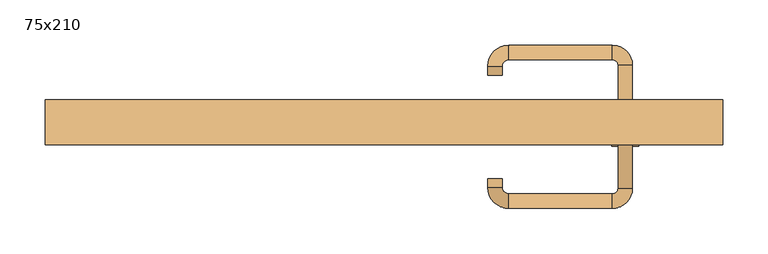
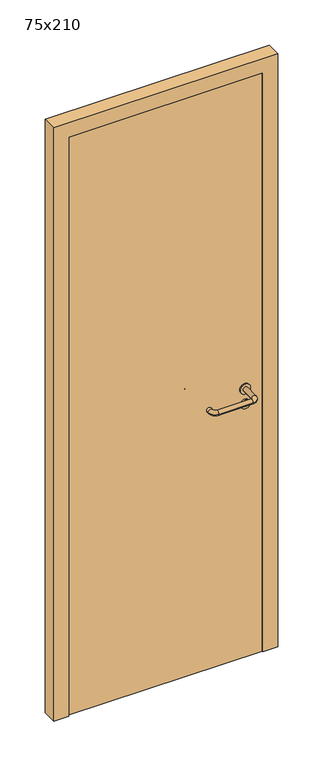
"""IFC4 building model written with IfcOpenShell, lengths in millimetres: door geometry, 75x210."""

import ifcopenshell
import ifcopenshell.guid

model = None  # the IFC model being written
_history = None  # IfcOwnerHistory: only IFC2X3 demands one
_inside = {}  # id of a spatial element -> (the spatial element, [elements in it])
_under = {}  # id of a project, library or spatial element -> (it, [spatial elements below it])
_declared = {}  # id of a project -> (the project, [libraries it declares])
_typed = {}  # id of a type object -> (the type object, [elements of that type])
_made_of = {}  # id of a material, layer set ... -> (it, [elements and type objects made of it])


def new_model(schema):
    """Start an empty IFC model of exactly this schema.

    Asked for "IFC4X3", IfcOpenShell would pick the latest addendum, in which some entities
    have other attributes; the version numbers below select the first issue.
    IFC2X3 requires an IfcOwnerHistory on every rooted entity: one is made here for all.
    """
    global model, _history
    if schema == "IFC4X3":
        model = ifcopenshell.file(schema_version=(4, 3, 0, 0))
    else:
        model = ifcopenshell.file(schema=schema)
    _inside.clear()
    _under.clear()
    _declared.clear()
    _typed.clear()
    _made_of.clear()
    _history = None
    if model.schema == "IFC2X3":
        org = make("IfcOrganization", Name="unknown")
        user = make(
            "IfcPersonAndOrganization",
            ThePerson=make("IfcPerson", FamilyName="unknown"),
            TheOrganization=org,
        )
        app = make(
            "IfcApplication",
            ApplicationDeveloper=org,
            Version="unknown",
            ApplicationFullName="unknown",
            ApplicationIdentifier="unknown",
        )
        _history = make(
            "IfcOwnerHistory",
            OwningUser=user,
            OwningApplication=app,
            ChangeAction="ADDED",
            CreationDate=0,
        )
    return model


def make(cls, **values):
    """One entity of the class cls with the attributes given. An attribute that is None is left unset."""
    return model.create_entity(
        cls, **{name: value for name, value in values.items() if value is not None}
    )


def rooted(cls, **values):
    """An entity with a GlobalId (a new one), such as an element, a storey or a relation."""
    return make(cls, GlobalId=ifcopenshell.guid.new(), OwnerHistory=_history, **values)


def si_unit(unit_type, name, prefix=None):
    """IfcSIUnit, for example si_unit("LENGTHUNIT", "METRE", prefix="MILLI")."""
    return make("IfcSIUnit", UnitType=unit_type, Prefix=prefix, Name=name)


def assignment(units):
    """IfcUnitAssignment: the units of a project."""
    return None if units is None else make("IfcUnitAssignment", Units=units)


def point(xyz):
    """IfcCartesianPoint."""
    return None if xyz is None else make("IfcCartesianPoint", Coordinates=xyz)


def direction(xyz):
    """IfcDirection."""
    return None if xyz is None else make("IfcDirection", DirectionRatios=xyz)


def frame(location, z_axis=None, x_axis=None):
    """IfcAxis2Placement3D, a coordinate frame: its origin and axes. An axis left out is left unset."""
    return make(
        "IfcAxis2Placement3D",
        Location=point(location),
        Axis=direction(z_axis),
        RefDirection=direction(x_axis),
    )


def frame_2d(location, x_axis=None):
    """IfcAxis2Placement2D, a coordinate frame in the plane: its origin and x axis."""
    return make(
        "IfcAxis2Placement2D", Location=point(location), RefDirection=direction(x_axis)
    )


def origin():
    """The frame at (0, 0, 0) with its axes left unset."""
    return frame((0.0, 0.0, 0.0))


def origin_with_axes():
    """The frame at (0, 0, 0) with the z axis (0, 0, 1) and the x axis (1, 0, 0) written out."""
    return frame((0.0, 0.0, 0.0), z_axis=(0.0, 0.0, 1.0), x_axis=(1.0, 0.0, 0.0))


def place(relative_to, where):
    """IfcLocalPlacement: puts the frame where relative to a parent placement (None: the world)."""
    return make(
        "IfcLocalPlacement", PlacementRelTo=relative_to, RelativePlacement=where
    )


def context(
    kind, dimensions, precision=None, world=None, true_north=None, identifier=None
):
    """IfcGeometricRepresentationContext, for example the 3D "Model" context."""
    return make(
        "IfcGeometricRepresentationContext",
        ContextIdentifier=identifier,
        ContextType=kind,
        CoordinateSpaceDimension=dimensions,
        Precision=precision,
        WorldCoordinateSystem=world,
        TrueNorth=true_north,
    )


def project(units=None, contexts=None):
    """IfcProject with its units and contexts."""
    return rooted(
        "IfcProject",
        Name="project",
        RepresentationContexts=contexts,
        UnitsInContext=assignment(units),
    )


def spatial(cls, under=None, at=None, **own):
    """A site, building, storey or space (cls), placed at a placement, below another one or the project."""
    s = rooted(cls, ObjectPlacement=at, **own)
    if under is not None:
        _under.setdefault(under.id(), (under, []))[1].append(s)
    return s


def polyline(points):
    """IfcPolyline through the points."""
    return make("IfcPolyline", Points=[point(p) for p in points])


def circle_curve(where, radius):
    """IfcCircle in the frame where."""
    return make("IfcCircle", Position=where, Radius=radius)


def ellipse_curve(where, semi_axis1, semi_axis2):
    """IfcEllipse in the frame where."""
    return make(
        "IfcEllipse", Position=where, SemiAxis1=semi_axis1, SemiAxis2=semi_axis2
    )


def trimmed(basis, trim1, trim2, sense, master):
    """IfcTrimmedCurve: the piece of a basis curve between two trims."""
    return make(
        "IfcTrimmedCurve",
        BasisCurve=basis,
        Trim1=trim1,
        Trim2=trim2,
        SenseAgreement=sense,
        MasterRepresentation=master,
    )


def segment(curve, same_sense, transition):
    """IfcCompositeCurveSegment."""
    return make(
        "IfcCompositeCurveSegment",
        Transition=transition,
        SameSense=same_sense,
        ParentCurve=curve,
    )


def composite_curve(segments, self_intersect=None):
    """IfcCompositeCurve: segments joined end to end."""
    return make("IfcCompositeCurve", Segments=segments, SelfIntersect=self_intersect)


def outline(outer, holes=None, kind="AREA"):
    """IfcArbitraryClosedProfileDef: a profile drawn as a closed curve; with holes, ...WithVoids."""
    if holes is None:
        return make("IfcArbitraryClosedProfileDef", ProfileType=kind, OuterCurve=outer)
    return make(
        "IfcArbitraryProfileDefWithVoids",
        ProfileType=kind,
        OuterCurve=outer,
        InnerCurves=holes,
    )


def extrude(swept, where, along, depth):
    """IfcExtrudedAreaSolid: the profile swept, set in the frame where, extruded along a direction by depth."""
    return make(
        "IfcExtrudedAreaSolid",
        SweptArea=swept,
        Position=where,
        ExtrudedDirection=direction(along),
        Depth=depth,
    )


def shape(context_of_items, identifier, shape_type, items):
    """IfcShapeRepresentation: the items that make up one representation, for example the "Body"."""
    return make(
        "IfcShapeRepresentation",
        ContextOfItems=context_of_items,
        RepresentationIdentifier=identifier,
        RepresentationType=shape_type,
        Items=items,
    )


def source(mapping_origin, context_of_items, identifier, shape_type, items):
    """IfcRepresentationMap: a shape defined once, which mapped items show again and again."""
    return make(
        "IfcRepresentationMap",
        MappingOrigin=mapping_origin,
        MappedRepresentation=shape(context_of_items, identifier, shape_type, items),
    )


def transform(
    local_origin,
    x_axis=None,
    y_axis=None,
    z_axis=None,
    scale=None,
    scale2=None,
    scale3=None,
    uniform=True,
):
    """IfcCartesianTransformationOperator3D, or its non-uniform kind. x_axis, y_axis, z_axis: its Axis1, 2, 3."""
    if uniform:
        return make(
            "IfcCartesianTransformationOperator3D",
            Axis1=direction(x_axis),
            Axis2=direction(y_axis),
            LocalOrigin=point(local_origin),
            Scale=scale,
            Axis3=direction(z_axis),
        )
    return make(
        "IfcCartesianTransformationOperator3DnonUniform",
        Axis1=direction(x_axis),
        Axis2=direction(y_axis),
        LocalOrigin=point(local_origin),
        Scale=scale,
        Axis3=direction(z_axis),
        Scale2=scale2,
        Scale3=scale3,
    )


def mapped(mapping_source, mapping_target):
    """IfcMappedItem: shows the shape of a source again, moved by a transform."""
    return make(
        "IfcMappedItem", MappingSource=mapping_source, MappingTarget=mapping_target
    )


def made_of(thing, what):
    """Note that an element or type object is made of a material, layer set ...; save() writes the relation."""
    if what is not None:
        _made_of.setdefault(what.id(), (what, []))[1].append(thing)
    return thing


def element(
    cls,
    number,
    at=None,
    inside=None,
    cuts=None,
    type_object=None,
    material=None,
    context=None,
    identifier="Body",
    shape_type=None,
    held_by="IfcProductDefinitionShape",
    body=None,
    shapes=None,
    **own,
):
    """One element of the class cls, such as IfcWall. Its Tag is "e" and its number.

    at: its placement. inside: the storey or other place that contains it. cuts: it is an
    opening in that element (IfcRelVoidsElement). A single representation is given by context,
    identifier, shape_type and body (its items); several are given by shapes. held_by: the class
    of the entity that holds the representations. save() writes the other relations.
    """
    e = rooted(cls, Tag="e%d" % number, ObjectPlacement=at, **own)
    if body is not None:
        shapes = [shape(context, identifier, shape_type, body)]
    if shapes is not None:
        e.Representation = make(held_by, Representations=shapes)
    if inside is not None:
        _inside.setdefault(inside.id(), (inside, []))[1].append(e)
    if cuts is not None:
        rooted(
            "IfcRelVoidsElement", RelatingBuildingElement=cuts, RelatedOpeningElement=e
        )
    if type_object is not None:
        _typed.setdefault(type_object.id(), (type_object, []))[1].append(e)
    return made_of(e, material)


def aggregate(whole, parts):
    """IfcRelAggregates: a whole, such as a stair, and the parts it consists of."""
    return rooted("IfcRelAggregates", RelatingObject=whole, RelatedObjects=parts)


def save(model, path):
    """Write the relations noted so far, then the file.

    IfcRelAggregates (storeys below a building ...), IfcRelContainedInSpatialStructure (elements
    in a storey), IfcRelDefinesByType, IfcRelAssociatesMaterial and IfcRelDeclares: one each for
    every whole, place, type object, material and project.
    """
    for whole, parts in _under.values():
        aggregate(whole, parts)
    for where, things in _inside.values():
        rooted(
            "IfcRelContainedInSpatialStructure",
            RelatedElements=things,
            RelatingStructure=where,
        )
    for kind, things in _typed.values():
        rooted("IfcRelDefinesByType", RelatedObjects=things, RelatingType=kind)
    for what, things in _made_of.values():
        rooted("IfcRelAssociatesMaterial", RelatedObjects=things, RelatingMaterial=what)
    for by, libraries in _declared.values():
        rooted("IfcRelDeclares", RelatingContext=by, RelatedDefinitions=libraries)
    model.write(path)


def plane_surface(at):
    """IfcPlane: the flat surface through the origin of the frame at, square to its z axis."""
    return make("IfcPlane", Position=at)


def cylinder_surface(at, radius):
    """IfcCylindricalSurface: all points at the distance radius from the z axis of the frame at."""
    return make("IfcCylindricalSurface", Position=at, Radius=radius)


def revolved_surface(curve, axis_point, axis_direction):
    """IfcSurfaceOfRevolution: the curve turned about the line through axis_point along axis_direction."""
    return make(
        "IfcSurfaceOfRevolution",
        SweptCurve=make("IfcArbitraryOpenProfileDef", ProfileType="CURVE", Curve=curve),
        AxisPosition=make("IfcAxis1Placement", Location=point(axis_point), Axis=direction(axis_direction)),
    )


def advanced_brep(points, edges, surfaces, faces):
    """IfcAdvancedBrep: a solid bounded by faces that lie on surfaces and meet in shared edges.

    An edge is (start, end): straight between two places in points (the first is 0);
    or (start, end, curve); or (start, end, curve, False) where it runs against its curve.
    A face is (place in surfaces, loops), or (place, loops, False) where it looks against
    its surface's normal. A loop lists edges by number (the first is 1), with a minus sign
    where the edge is run from its end to its start. The first loop is the outer one.
    """
    corners = [point(p) for p in points]
    vertices = [make("IfcVertexPoint", VertexGeometry=c) for c in corners]
    made = []
    for start, end, *more in edges:
        made.append(
            make(
                "IfcEdgeCurve",
                EdgeStart=vertices[start],
                EdgeEnd=vertices[end],
                EdgeGeometry=more[0] if more else make("IfcPolyline", Points=[corners[start], corners[end]]),
                SameSense=more[1] if len(more) > 1 else True,
            )
        )
    hull = []
    for where, loops, *sense in faces:
        bounds = []
        for j, loop in enumerate(loops):
            ring = [make("IfcOrientedEdge", EdgeElement=made[abs(k) - 1], Orientation=k > 0) for k in loop]
            bounds.append(
                make(
                    "IfcFaceOuterBound" if j == 0 else "IfcFaceBound",
                    Bound=make("IfcEdgeLoop", EdgeList=ring),
                    Orientation=True,
                )
            )
        hull.append(make("IfcAdvancedFace", Bounds=bounds, FaceSurface=surfaces[where], SameSense=sense[0] if sense else True))
    return make("IfcAdvancedBrep", Outer=make("IfcClosedShell", CfsFaces=hull))


def door_75x210_8c252fab(model_context):
    return source(origin(), model_context, "Body", "SolidModel", [
        extrude(outline(composite_curve([segment(trimmed(circle_curve(frame_2d((897.3605726, 267.0)), 15.0), [point((897.3605726, 282.0))], [point((897.3605726, 252.0))], False, "CARTESIAN"), True, "CONTINUOUS"), segment(trimmed(circle_curve(frame_2d((897.3605726, 267.0)), 15.0), [point((897.3605726, 252.0))], [point((897.3605726, 282.0))], False, "CARTESIAN"), True, "CONTINUOUS")], self_intersect=False), holes=[composite_curve([segment(trimmed(circle_curve(frame_2d((892.5833211, 266.9398032)), 2.0), [point((892.5833211, 268.9398032))], [point((892.5833211, 264.9398032))], True, "CARTESIAN"), True, "CONTINUOUS"), segment(polyline([(892.5833211, 264.9398032), (902.5833211, 264.9398032)]), True, "CONTINUOUS"), segment(trimmed(circle_curve(frame_2d((902.5833211, 266.9398032)), 2.0), [point((902.5833211, 264.9398032))], [point((902.5833211, 268.9398032))], True, "CARTESIAN"), True, "CONTINUOUS"), segment(polyline([(902.5833211, 268.9398032), (892.5833211, 268.9398032)]), True, "CONTINUOUS")], self_intersect=False)]), frame((0.0, -40.0, 0.0), z_axis=(0.0, 1.0, 0.0), x_axis=(0.0, 0.0, 1.0)), (0.0, 0.0, 1.0), 6.35),
        extrude(outline(composite_curve([segment(trimmed(circle_curve(frame_2d((950.0, 267.0)), 17.526), [point((950.0, 284.526))], [point((950.0, 249.474))], False, "CARTESIAN"), True, "CONTINUOUS"), segment(trimmed(circle_curve(frame_2d((950.0, 267.0)), 17.526), [point((950.0, 249.474))], [point((950.0, 284.526))], False, "CARTESIAN"), True, "CONTINUOUS")], self_intersect=False)), frame((0.0, -40.0, 0.0), z_axis=(0.0, 1.0, 0.0), x_axis=(0.0, 0.0, 1.0)), (0.0, 0.0, 1.0), 3.175),
        advanced_brep(
        [(275.0, -40.0, 950.0), (259.0, -40.0, 950.0), (275.0, 13.0, 950.0), (259.0, 13.0, 950.0), (252.8578644, 19.1421356, 950.0), (252.8578644, 35.1421356, 950.0), (137.8578644, 35.1421356, 950.0), (137.8578644, 19.1421356, 950.0), (131.008622, 12.2928932, 950.0), (115.008622, 12.2928932, 950.0), (115.008622, 2.2928932, 950.0), (131.008622, 2.2928932, 950.0)],
        [
            (0, 1, circle_curve(frame((267.0, -40.0, 950.0), z_axis=(0.0, -1.0, 0.0), x_axis=(-1.0, 0.0, 0.0)), 8.0)),
            (1, 0, circle_curve(frame((267.0, -40.0, 950.0), z_axis=(0.0, -1.0, 0.0), x_axis=(-1.0, 0.0, 0.0)), 8.0)),
            (0, 2),
            (2, 3, circle_curve(frame((267.0, 13.0, 950.0), z_axis=(0.0, -1.0, 0.0), x_axis=(-1.0, 0.0, 0.0)), 8.0)),
            (3, 1),
            (3, 2, circle_curve(frame((267.0, 13.0, 950.0), z_axis=(0.0, -1.0, 0.0), x_axis=(-1.0, 0.0, 0.0)), 8.0)),
            (4, 3, circle_curve(frame((252.8578644, 13.0, 950.0), z_axis=(0.0, 0.0, -1.0), x_axis=(1.0, 0.0, 0.0)), 6.1421356)),
            (2, 5, circle_curve(frame((252.8578644, 13.0, 950.0), z_axis=(0.0, 0.0, 1.0), x_axis=(1.0, 0.0, 0.0)), 22.1421356)),
            (5, 4, circle_curve(frame((252.8578644, 27.1421356, 950.0), z_axis=(1.0, 0.0, 0.0), x_axis=(0.0, -1.0, 0.0)), 8.0)),
            (4, 5, circle_curve(frame((252.8578644, 27.1421356, 950.0), z_axis=(1.0, 0.0, 0.0), x_axis=(0.0, -1.0, 0.0)), 8.0)),
            (5, 6),
            (6, 7, circle_curve(frame((137.8578644, 27.1421356, 950.0), z_axis=(1.0, 0.0, 0.0), x_axis=(0.0, -1.0, 0.0)), 8.0)),
            (7, 4),
            (7, 6, circle_curve(frame((137.8578644, 27.1421356, 950.0), z_axis=(1.0, 0.0, 0.0), x_axis=(0.0, -1.0, 0.0)), 8.0)),
            (8, 7, circle_curve(frame((137.8578644, 12.2928932, 950.0), z_axis=(0.0, 0.0, -1.0), x_axis=(0.0, 1.0, 0.0)), 6.8492424)),
            (6, 9, circle_curve(frame((137.8578644, 12.2928932, 950.0), z_axis=(0.0, 0.0, 1.0), x_axis=(0.0, 1.0, 0.0)), 22.8492424)),
            (9, 8, circle_curve(frame((123.008622, 12.2928932, 950.0), z_axis=(0.0, 1.0, 0.0), x_axis=(1.0, 0.0, 0.0)), 8.0)),
            (8, 9, circle_curve(frame((123.008622, 12.2928932, 950.0), z_axis=(0.0, 1.0, 0.0), x_axis=(1.0, 0.0, 0.0)), 8.0)),
            (10, 11, circle_curve(frame((123.008622, 2.2928932, 950.0), z_axis=(0.0, -1.0, 0.0), x_axis=(1.0, 0.0, 0.0)), 8.0)),
            (11, 10, circle_curve(frame((123.008622, 2.2928932, 950.0), z_axis=(0.0, -1.0, 0.0), x_axis=(1.0, 0.0, 0.0)), 8.0)),
            (9, 10),
            (11, 8),
        ],
        [
            plane_surface(frame((267.0, -40.0, 170.0), z_axis=(0.0, -1.0, 0.0), x_axis=(0.0, 0.0, 1.0))),
            cylinder_surface(frame((267.0, -40.0, 950.0), z_axis=(0.0, -1.0, 0.0), x_axis=(-1.0, 0.0, 0.0)), 8.0),
            revolved_surface(trimmed(ellipse_curve(frame((267.0, 13.0, 950.0), z_axis=(0.0, -1.0, 0.0), x_axis=(-1.0, 0.0, 0.0)), 8.0, 8.0), [point((275.0, 13.0, 950.0))], [point((259.0, 13.0, 950.0))], True, "CARTESIAN"), (252.8578644, 13.0, 170.0), (0.0, 0.0, 1.0)),
            revolved_surface(trimmed(ellipse_curve(frame((267.0, 13.0, 950.0), z_axis=(0.0, -1.0, 0.0), x_axis=(-1.0, 0.0, 0.0)), 8.0, 8.0), [point((259.0, 13.0, 950.0))], [point((275.0, 13.0, 950.0))], True, "CARTESIAN"), (252.8578644, 13.0, 170.0), (0.0, 0.0, 1.0)),
            cylinder_surface(frame((252.8578644, 27.1421356, 950.0), z_axis=(1.0, 0.0, 0.0), x_axis=(0.0, -1.0, 0.0)), 8.0),
            revolved_surface(trimmed(ellipse_curve(frame((137.8578644, 27.1421356, 950.0), z_axis=(1.0, 0.0, 0.0), x_axis=(0.0, -1.0, 0.0)), 8.0, 8.0), [point((137.8578644, 35.1421356, 950.0))], [point((137.8578644, 19.1421356, 950.0))], True, "CARTESIAN"), (137.8578644, 12.2928932, 170.0), (0.0, 0.0, 1.0)),
            revolved_surface(trimmed(ellipse_curve(frame((137.8578644, 27.1421356, 950.0), z_axis=(1.0, 0.0, 0.0), x_axis=(0.0, -1.0, 0.0)), 8.0, 8.0), [point((137.8578644, 19.1421356, 950.0))], [point((137.8578644, 35.1421356, 950.0))], True, "CARTESIAN"), (137.8578644, 12.2928932, 170.0), (0.0, 0.0, 1.0)),
            plane_surface(frame((123.008622, 2.2928932, 170.0), z_axis=(0.0, -1.0, 0.0), x_axis=(0.0, 0.0, 1.0))),
            cylinder_surface(frame((123.008622, 12.2928932, 950.0), z_axis=(0.0, 1.0, 0.0), x_axis=(1.0, 0.0, 0.0)), 8.0),
        ],
        [
            (0, [[1, 2]]),
            (1, [[-1, 3, 4, 5]]),
            (1, [[-2, -5, 6, -3]]),
            (2, [[7, -4, 8, 9]]),
            (3, [[-8, -6, -7, 10]]),
            (4, [[-9, 11, 12, 13]]),
            (4, [[-10, -13, 14, -11]]),
            (5, [[15, -12, 16, 17]]),
            (6, [[-16, -14, -15, 18]]),
            (7, [[19, 20]]),
            (8, [[-17, 21, -20, 22]]),
            (8, [[-18, -22, -19, -21]]),
        ],
    ),
        extrude(outline(composite_curve([segment(trimmed(circle_curve(frame_2d((0.0, 15.0)), 15.0), [point((0.0, 30.0))], [point((0.0, 0.0))], False, "CARTESIAN"), True, "CONTINUOUS"), segment(trimmed(circle_curve(frame_2d((0.0, 15.0)), 15.0), [point((0.0, 0.0))], [point((0.0, 30.0))], False, "CARTESIAN"), True, "CONTINUOUS")], self_intersect=False), holes=[composite_curve([segment(trimmed(circle_curve(frame_2d((-4.7772515, 14.9398032)), 2.0), [point((-4.7772515, 16.9398032))], [point((-4.7772515, 12.9398032))], True, "CARTESIAN"), True, "CONTINUOUS"), segment(polyline([(-4.7772515, 12.9398032), (5.2227485, 12.9398032)]), True, "CONTINUOUS"), segment(trimmed(circle_curve(frame_2d((5.2227485, 14.9398032)), 2.0), [point((5.2227485, 12.9398032))], [point((5.2227485, 16.9398032))], True, "CARTESIAN"), True, "CONTINUOUS"), segment(polyline([(5.2227485, 16.9398032), (-4.7772515, 16.9398032)]), True, "CONTINUOUS")], self_intersect=False)]), frame((252.0, -76.35, 897.3605726), z_axis=(-1.8870575173328306e-12, 1.0, 0.0), x_axis=(0.0, 0.0, 1.0)), (0.0, 0.0, 1.0), 6.35),
        extrude(outline(composite_curve([segment(trimmed(circle_curve(frame_2d((0.0, 17.526)), 17.526), [point((0.0, 35.052))], [point((0.0, 0.0))], False, "CARTESIAN"), True, "CONTINUOUS"), segment(trimmed(circle_curve(frame_2d((0.0, 17.526)), 17.526), [point((0.0, 0.0))], [point((0.0, 35.052))], False, "CARTESIAN"), True, "CONTINUOUS")], self_intersect=False)), frame((249.474, -73.175, 950.0), z_axis=(-1.8870575173328306e-12, 1.0, 0.0), x_axis=(0.0, 0.0, 1.0)), (0.0, 0.0, 1.0), 3.175),
        advanced_brep(
        [(275.0, -70.0, 950.0), (259.0, -70.0, 950.0), (259.0, -123.0, 950.0), (275.0, -123.0, 950.0), (252.8578644, -129.1421356, 950.0), (252.8578644, -145.1421356, 950.0), (137.8578644, -129.1421356, 950.0), (137.8578644, -145.1421356, 950.0), (131.008622, -122.2928932, 950.0), (115.008622, -122.2928932, 950.0), (115.008622, -112.2928932, 950.0), (131.008622, -112.2928932, 950.0)],
        [
            (0, 1, circle_curve(frame((267.0, -70.0, 950.0), z_axis=(-1.888672253512351e-12, 1.0, 0.0), x_axis=(-1.0, -1.888672253512351e-12, 0.0)), 8.0)),
            (1, 0, circle_curve(frame((267.0, -70.0, 950.0), z_axis=(-1.888672253512351e-12, 1.0, 0.0), x_axis=(-1.0, -1.888672253512351e-12, 0.0)), 8.0)),
            (1, 2),
            (2, 3, circle_curve(frame((267.0, -123.0, 950.0), z_axis=(-1.888672253512351e-12, 1.0, 0.0), x_axis=(-1.0, -1.888672253512351e-12, 0.0)), 8.0)),
            (3, 0),
            (3, 2, circle_curve(frame((267.0, -123.0, 950.0), z_axis=(-1.888672253512351e-12, 1.0, 0.0), x_axis=(-1.0, -1.888672253512351e-12, 0.0)), 8.0)),
            (4, 5, circle_curve(frame((252.8578644, -137.1421356, 950.0), z_axis=(1.0, 1.913702061528922e-12, 0.0), x_axis=(-1.913702061528922e-12, 1.0, 0.0)), 8.0)),
            (5, 3, circle_curve(frame((252.8578644, -123.0, 950.0), z_axis=(0.0, 0.0, 1.0), x_axis=(1.0, 1.880717803715015e-12, 0.0)), 22.1421356)),
            (2, 4, circle_curve(frame((252.8578644, -123.0, 950.0), z_axis=(0.0, 0.0, -1.0), x_axis=(1.0, 1.880717803715015e-12, 0.0)), 6.1421356)),
            (5, 4, circle_curve(frame((252.8578644, -137.1421356, 950.0), z_axis=(1.0, 1.913702061528922e-12, 0.0), x_axis=(-1.913702061528922e-12, 1.0, 0.0)), 8.0)),
            (4, 6),
            (6, 7, circle_curve(frame((137.8578644, -137.1421356, 950.0), z_axis=(1.0, 1.913719828541269e-12, 0.0), x_axis=(-1.913719828541269e-12, 1.0, 0.0)), 8.0)),
            (7, 5),
            (7, 6, circle_curve(frame((137.8578644, -137.1421356, 950.0), z_axis=(1.0, 1.913719828541269e-12, 0.0), x_axis=(-1.913719828541269e-12, 1.0, 0.0)), 8.0)),
            (8, 9, circle_curve(frame((123.008622, -122.2928932, 950.0), z_axis=(1.890226565746826e-12, -1.0, 0.0), x_axis=(1.0, 1.890226565746826e-12, 0.0)), 8.0)),
            (9, 7, circle_curve(frame((137.8578644, -122.2928932, 950.0), z_axis=(0.0, 0.0, 1.0), x_axis=(1.9120873253494017e-12, -1.0, 0.0)), 22.8492424)),
            (6, 8, circle_curve(frame((137.8578644, -122.2928932, 950.0), z_axis=(0.0, 0.0, -1.0), x_axis=(1.9120873253494017e-12, -1.0, 0.0)), 6.8492424)),
            (9, 8, circle_curve(frame((123.008622, -122.2928932, 950.0), z_axis=(1.890670654956676e-12, -1.0, 0.0), x_axis=(1.0, 1.890670654956676e-12, 0.0)), 8.0)),
            (10, 11, circle_curve(frame((123.008622, -112.2928932, 950.0), z_axis=(-1.8903642334018795e-12, 1.0, 0.0), x_axis=(1.0, 1.8903642334018795e-12, 0.0)), 8.0)),
            (11, 10, circle_curve(frame((123.008622, -112.2928932, 950.0), z_axis=(-1.8903642334018795e-12, 1.0, 0.0), x_axis=(1.0, 1.8903642334018795e-12, 0.0)), 8.0)),
            (8, 11),
            (10, 9),
        ],
        [
            plane_surface(frame((267.0, -70.0, 170.0), z_axis=(-1.8870575173328306e-12, 1.0, 0.0), x_axis=(0.0, 0.0, 1.0))),
            cylinder_surface(frame((267.0, -70.0, 950.0), z_axis=(-1.888672253512351e-12, 1.0, 0.0), x_axis=(-1.0, -1.888672253512351e-12, 0.0)), 8.0),
            revolved_surface(trimmed(ellipse_curve(frame((267.0, -123.0, 950.0), z_axis=(1.8823325398945356e-12, -1.0, 0.0), x_axis=(-1.0, -1.8823325398945356e-12, 0.0)), 8.0, 8.0), [point((275.0, -123.0, 950.0))], [point((259.0, -123.0, 950.0))], True, "CARTESIAN"), (252.8578644, -123.0, 170.0), (0.0, 0.0, 1.0)),
            revolved_surface(trimmed(ellipse_curve(frame((267.0, -123.0, 950.0), z_axis=(1.8823325398945356e-12, -1.0, 0.0), x_axis=(-1.0, -1.8823325398945356e-12, 0.0)), 8.0, 8.0), [point((259.0, -123.0, 950.0))], [point((275.0, -123.0, 950.0))], True, "CARTESIAN"), (252.8578644, -123.0, 170.0), (0.0, 0.0, 1.0)),
            cylinder_surface(frame((252.8578644, -137.1421356, 950.0), z_axis=(1.0, 1.913719828541269e-12, 0.0), x_axis=(-1.913719828541269e-12, 1.0, 0.0)), 8.0),
            revolved_surface(trimmed(ellipse_curve(frame((137.8578644, -137.1421356, 950.0), z_axis=(-1.0, -1.913702061528922e-12, 0.0), x_axis=(-1.913702061528922e-12, 1.0, 0.0)), 8.0, 8.0), [point((137.8578644, -145.1421356, 950.0))], [point((137.8578644, -129.1421356, 950.0))], True, "CARTESIAN"), (137.8578644, -122.2928932, 170.0), (0.0, 0.0, 1.0)),
            revolved_surface(trimmed(ellipse_curve(frame((137.8578644, -137.1421356, 950.0), z_axis=(-1.0, -1.913702061528922e-12, 0.0), x_axis=(-1.913702061528922e-12, 1.0, 0.0)), 8.0, 8.0), [point((137.8578644, -129.1421356, 950.0))], [point((137.8578644, -145.1421356, 950.0))], True, "CARTESIAN"), (137.8578644, -122.2928932, 170.0), (0.0, 0.0, 1.0)),
            plane_surface(frame((123.008622, -112.2928932, 170.0), z_axis=(-1.8887494972223595e-12, 1.0, 0.0), x_axis=(0.0, 0.0, 1.0))),
            cylinder_surface(frame((123.008622, -122.2928932, 950.0), z_axis=(1.8903642334018795e-12, -1.0, 0.0), x_axis=(1.0, 1.8903642334018795e-12, 0.0)), 8.0),
        ],
        [
            (0, [[1, 2]]),
            (1, [[3, 4, 5, -2]]),
            (1, [[-5, 6, -3, -1]]),
            (2, [[7, 8, -4, 9]]),
            (3, [[10, -9, -6, -8]]),
            (4, [[11, 12, 13, -7]]),
            (4, [[-13, 14, -11, -10]]),
            (5, [[15, 16, -12, 17]]),
            (6, [[18, -17, -14, -16]]),
            (7, [[19, 20]]),
            (8, [[21, -19, 22, -15]]),
            (8, [[-22, -20, -21, -18]]),
        ],
    ),
        extrude(outline(polyline([(2050.0, 325.0), (0.0, 325.0), (0.0, 375.0), (2100.0, 375.0), (2100.0, -375.0), (0.0, -375.0), (0.0, -325.0), (2050.0, -325.0), (2050.0, 325.0)])), frame((0.0, -75.0, 0.0), z_axis=(0.0, 1.0, 0.0), x_axis=(0.0, 0.0, 1.0)), (0.0, 0.0, 1.0), 50.0),
        extrude(outline(polyline([(-325.0, -70.0), (-325.0, -40.0), (325.0, -40.0), (325.0, -70.0), (-325.0, -70.0)])), origin_with_axes(), (0.0, 0.0, 1.0), 2050.0),
    ])


if __name__ == "__main__":
    model = new_model("IFC4")
    model_context = context("Model", 3, world=origin())
    ifc_project = project(units=[si_unit("LENGTHUNIT", "METRE", prefix="MILLI")], contexts=[model_context])
    site = spatial("IfcSite", under=ifc_project)
    building = spatial("IfcBuilding", under=site)
    placement = place(None, origin())
    door_75x210_shape = door_75x210_8c252fab(model_context)
    element("IfcDoor", 1, ObjectType="75x210", at=placement, inside=building, context=model_context, shape_type="MappedRepresentation", body=[
        mapped(door_75x210_shape, transform((0.0, 0.0, 0.0), x_axis=(1.0, 0.0, 0.0), y_axis=(0.0, 1.0, 0.0), z_axis=(0.0, 0.0, 1.0))),
    ])
    save(model, "model.ifc")
